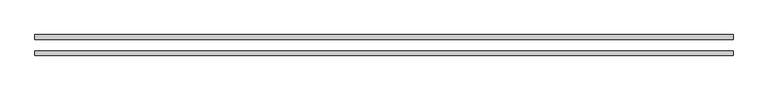
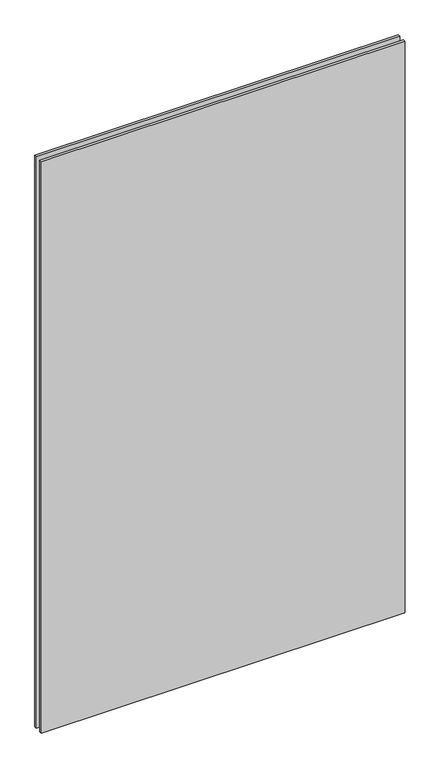
"""IFC4 building model written with IfcOpenShell, lengths in millimetres: plate geometry."""

import ifcopenshell
import ifcopenshell.guid

model = None  # the IFC model being written
_history = None  # IfcOwnerHistory: only IFC2X3 demands one
_inside = {}  # id of a spatial element -> (the spatial element, [elements in it])
_under = {}  # id of a project, library or spatial element -> (it, [spatial elements below it])
_declared = {}  # id of a project -> (the project, [libraries it declares])
_typed = {}  # id of a type object -> (the type object, [elements of that type])
_made_of = {}  # id of a material, layer set ... -> (it, [elements and type objects made of it])


def new_model(schema):
    """Start an empty IFC model of exactly this schema.

    Asked for "IFC4X3", IfcOpenShell would pick the latest addendum, in which some entities
    have other attributes; the version numbers below select the first issue.
    IFC2X3 requires an IfcOwnerHistory on every rooted entity: one is made here for all.
    """
    global model, _history
    if schema == "IFC4X3":
        model = ifcopenshell.file(schema_version=(4, 3, 0, 0))
    else:
        model = ifcopenshell.file(schema=schema)
    _inside.clear()
    _under.clear()
    _declared.clear()
    _typed.clear()
    _made_of.clear()
    _history = None
    if model.schema == "IFC2X3":
        org = make("IfcOrganization", Name="unknown")
        user = make(
            "IfcPersonAndOrganization",
            ThePerson=make("IfcPerson", FamilyName="unknown"),
            TheOrganization=org,
        )
        app = make(
            "IfcApplication",
            ApplicationDeveloper=org,
            Version="unknown",
            ApplicationFullName="unknown",
            ApplicationIdentifier="unknown",
        )
        _history = make(
            "IfcOwnerHistory",
            OwningUser=user,
            OwningApplication=app,
            ChangeAction="ADDED",
            CreationDate=0,
        )
    return model


def make(cls, **values):
    """One entity of the class cls with the attributes given. An attribute that is None is left unset."""
    return model.create_entity(
        cls, **{name: value for name, value in values.items() if value is not None}
    )


def rooted(cls, **values):
    """An entity with a GlobalId (a new one), such as an element, a storey or a relation."""
    return make(cls, GlobalId=ifcopenshell.guid.new(), OwnerHistory=_history, **values)


def si_unit(unit_type, name, prefix=None):
    """IfcSIUnit, for example si_unit("LENGTHUNIT", "METRE", prefix="MILLI")."""
    return make("IfcSIUnit", UnitType=unit_type, Prefix=prefix, Name=name)


def assignment(units):
    """IfcUnitAssignment: the units of a project."""
    return None if units is None else make("IfcUnitAssignment", Units=units)


def point(xyz):
    """IfcCartesianPoint."""
    return None if xyz is None else make("IfcCartesianPoint", Coordinates=xyz)


def direction(xyz):
    """IfcDirection."""
    return None if xyz is None else make("IfcDirection", DirectionRatios=xyz)


def frame(location, z_axis=None, x_axis=None):
    """IfcAxis2Placement3D, a coordinate frame: its origin and axes. An axis left out is left unset."""
    return make(
        "IfcAxis2Placement3D",
        Location=point(location),
        Axis=direction(z_axis),
        RefDirection=direction(x_axis),
    )


def origin():
    """The frame at (0, 0, 0) with its axes left unset."""
    return frame((0.0, 0.0, 0.0))


def origin_with_axes():
    """The frame at (0, 0, 0) with the z axis (0, 0, 1) and the x axis (1, 0, 0) written out."""
    return frame((0.0, 0.0, 0.0), z_axis=(0.0, 0.0, 1.0), x_axis=(1.0, 0.0, 0.0))


def place(relative_to, where):
    """IfcLocalPlacement: puts the frame where relative to a parent placement (None: the world)."""
    return make(
        "IfcLocalPlacement", PlacementRelTo=relative_to, RelativePlacement=where
    )


def context(
    kind, dimensions, precision=None, world=None, true_north=None, identifier=None
):
    """IfcGeometricRepresentationContext, for example the 3D "Model" context."""
    return make(
        "IfcGeometricRepresentationContext",
        ContextIdentifier=identifier,
        ContextType=kind,
        CoordinateSpaceDimension=dimensions,
        Precision=precision,
        WorldCoordinateSystem=world,
        TrueNorth=true_north,
    )


def project(units=None, contexts=None):
    """IfcProject with its units and contexts."""
    return rooted(
        "IfcProject",
        Name="project",
        RepresentationContexts=contexts,
        UnitsInContext=assignment(units),
    )


def spatial(cls, under=None, at=None, **own):
    """A site, building, storey or space (cls), placed at a placement, below another one or the project."""
    s = rooted(cls, ObjectPlacement=at, **own)
    if under is not None:
        _under.setdefault(under.id(), (under, []))[1].append(s)
    return s


def polyline(points):
    """IfcPolyline through the points."""
    return make("IfcPolyline", Points=[point(p) for p in points])


def outline(outer, holes=None, kind="AREA"):
    """IfcArbitraryClosedProfileDef: a profile drawn as a closed curve; with holes, ...WithVoids."""
    if holes is None:
        return make("IfcArbitraryClosedProfileDef", ProfileType=kind, OuterCurve=outer)
    return make(
        "IfcArbitraryProfileDefWithVoids",
        ProfileType=kind,
        OuterCurve=outer,
        InnerCurves=holes,
    )


def extrude(swept, where, along, depth):
    """IfcExtrudedAreaSolid: the profile swept, set in the frame where, extruded along a direction by depth."""
    return make(
        "IfcExtrudedAreaSolid",
        SweptArea=swept,
        Position=where,
        ExtrudedDirection=direction(along),
        Depth=depth,
    )


def shape(context_of_items, identifier, shape_type, items):
    """IfcShapeRepresentation: the items that make up one representation, for example the "Body"."""
    return make(
        "IfcShapeRepresentation",
        ContextOfItems=context_of_items,
        RepresentationIdentifier=identifier,
        RepresentationType=shape_type,
        Items=items,
    )


def source(mapping_origin, context_of_items, identifier, shape_type, items):
    """IfcRepresentationMap: a shape defined once, which mapped items show again and again."""
    return make(
        "IfcRepresentationMap",
        MappingOrigin=mapping_origin,
        MappedRepresentation=shape(context_of_items, identifier, shape_type, items),
    )


def transform(
    local_origin,
    x_axis=None,
    y_axis=None,
    z_axis=None,
    scale=None,
    scale2=None,
    scale3=None,
    uniform=True,
):
    """IfcCartesianTransformationOperator3D, or its non-uniform kind. x_axis, y_axis, z_axis: its Axis1, 2, 3."""
    if uniform:
        return make(
            "IfcCartesianTransformationOperator3D",
            Axis1=direction(x_axis),
            Axis2=direction(y_axis),
            LocalOrigin=point(local_origin),
            Scale=scale,
            Axis3=direction(z_axis),
        )
    return make(
        "IfcCartesianTransformationOperator3DnonUniform",
        Axis1=direction(x_axis),
        Axis2=direction(y_axis),
        LocalOrigin=point(local_origin),
        Scale=scale,
        Axis3=direction(z_axis),
        Scale2=scale2,
        Scale3=scale3,
    )


def mapped(mapping_source, mapping_target):
    """IfcMappedItem: shows the shape of a source again, moved by a transform."""
    return make(
        "IfcMappedItem", MappingSource=mapping_source, MappingTarget=mapping_target
    )


def made_of(thing, what):
    """Note that an element or type object is made of a material, layer set ...; save() writes the relation."""
    if what is not None:
        _made_of.setdefault(what.id(), (what, []))[1].append(thing)
    return thing


def element(
    cls,
    number,
    at=None,
    inside=None,
    cuts=None,
    type_object=None,
    material=None,
    context=None,
    identifier="Body",
    shape_type=None,
    held_by="IfcProductDefinitionShape",
    body=None,
    shapes=None,
    **own,
):
    """One element of the class cls, such as IfcWall. Its Tag is "e" and its number.

    at: its placement. inside: the storey or other place that contains it. cuts: it is an
    opening in that element (IfcRelVoidsElement). A single representation is given by context,
    identifier, shape_type and body (its items); several are given by shapes. held_by: the class
    of the entity that holds the representations. save() writes the other relations.
    """
    e = rooted(cls, Tag="e%d" % number, ObjectPlacement=at, **own)
    if body is not None:
        shapes = [shape(context, identifier, shape_type, body)]
    if shapes is not None:
        e.Representation = make(held_by, Representations=shapes)
    if inside is not None:
        _inside.setdefault(inside.id(), (inside, []))[1].append(e)
    if cuts is not None:
        rooted(
            "IfcRelVoidsElement", RelatingBuildingElement=cuts, RelatedOpeningElement=e
        )
    if type_object is not None:
        _typed.setdefault(type_object.id(), (type_object, []))[1].append(e)
    return made_of(e, material)


def aggregate(whole, parts):
    """IfcRelAggregates: a whole, such as a stair, and the parts it consists of."""
    return rooted("IfcRelAggregates", RelatingObject=whole, RelatedObjects=parts)


def save(model, path):
    """Write the relations noted so far, then the file.

    IfcRelAggregates (storeys below a building ...), IfcRelContainedInSpatialStructure (elements
    in a storey), IfcRelDefinesByType, IfcRelAssociatesMaterial and IfcRelDeclares: one each for
    every whole, place, type object, material and project.
    """
    for whole, parts in _under.values():
        aggregate(whole, parts)
    for where, things in _inside.values():
        rooted(
            "IfcRelContainedInSpatialStructure",
            RelatedElements=things,
            RelatingStructure=where,
        )
    for kind, things in _typed.values():
        rooted("IfcRelDefinesByType", RelatedObjects=things, RelatingType=kind)
    for what, things in _made_of.values():
        rooted("IfcRelAssociatesMaterial", RelatedObjects=things, RelatingMaterial=what)
    for by, libraries in _declared.values():
        rooted("IfcRelDeclares", RelatingContext=by, RelatedDefinitions=libraries)
    model.write(path)


def plate_d0271896(model_context):
    return source(origin(), model_context, "Body", "SweptSolid", [
        extrude(outline(polyline([(893.7625, -26.9875), (-893.7625, -26.9875), (-893.7625, -14.2875), (893.7625, -14.2875), (893.7625, -26.9875)])), origin_with_axes(), (0.0, 0.0, 1.0), 2965.45),
        extrude(outline(polyline([(893.7625, 26.9875), (893.7625, 14.2875), (-893.7625, 14.2875), (-893.7625, 26.9875), (893.7625, 26.9875)])), origin_with_axes(), (0.0, 0.0, 1.0), 2965.45),
    ])


if __name__ == "__main__":
    model = new_model("IFC4")
    model_context = context("Model", 3, world=origin())
    ifc_project = project(units=[si_unit("LENGTHUNIT", "METRE", prefix="MILLI")], contexts=[model_context])
    site = spatial("IfcSite", under=ifc_project)
    building = spatial("IfcBuilding", under=site)
    placement = place(None, origin())
    plate_shape = plate_d0271896(model_context)
    element("IfcPlate", 1, at=placement, inside=building, context=model_context, shape_type="MappedRepresentation", body=[
        mapped(plate_shape, transform((0.0, 0.0, 0.0), x_axis=(1.0, 0.0, 0.0), y_axis=(0.0, 1.0, 0.0), z_axis=(0.0, 0.0, 1.0))),
    ])
    save(model, "model.ifc")
